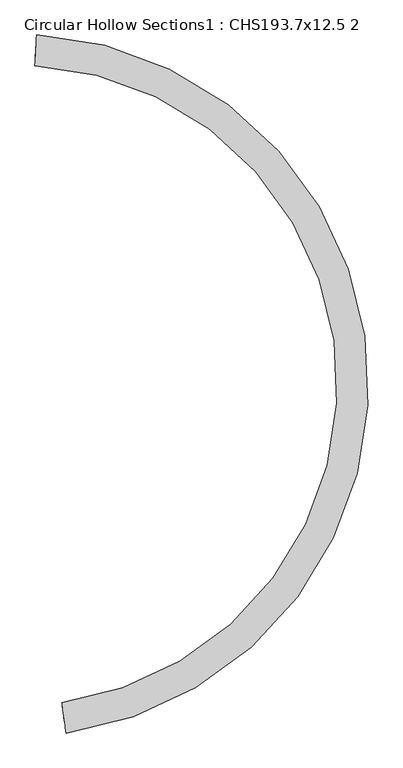
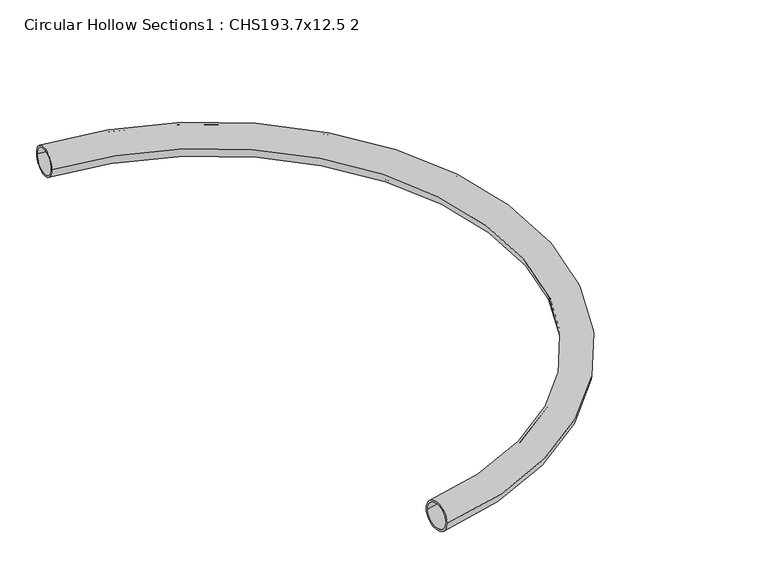
"""IFC4 building model written with IfcOpenShell, lengths in millimetres: beam geometry, Circular Hollow Sections1 : CHS193.7x12.5 2."""

from ifc_helpers import new_model, si_unit, point, frame, origin, place, context, project, spatial, circle_curve, ellipse_curve, trimmed, source, transform, mapped, element, save
from ifc_brep_helpers import plane_surface, revolved_surface, advanced_brep


def circular_hollow_sections1_chs193_7x12_5_2_fd8b41b2(model_context):
    return source(origin(), model_context, "Body", "AdvancedBrep", [
        advanced_brep(
        [(281.3026578, -4103.3995428, 0.0), (308.3688599, -4295.1992057, 0.0), (306.6222026, -4282.8218398, 0.0), (283.0493151, -4115.7769088, 0.0), (112.0487616, -99.9706476, 0.0), (122.8297989, 93.4290919, 0.0), (122.1340685, 80.9484685, 0.0), (112.7444919, -87.4900242, 0.0)],
        [
            (0, 1, circle_curve(frame((294.8357589, -4199.2993743, 0.0), z_axis=(-0.9901892769025884, -0.13973258713388623, 0.0), x_axis=(0.13973258713388623, -0.9901892769025884, 0.0)), 96.85)),
            (1, 0, circle_curve(frame((294.8357589, -4199.2993743, 0.0), z_axis=(-0.9901892769025886, -0.13973258713388442, 0.0), x_axis=(0.13973258713388442, -0.9901892769025886, 0.0)), 96.85)),
            (2, 3, circle_curve(frame((294.8357589, -4199.2993743, 0.0), z_axis=(0.9901892769025884, 0.13973258713388623, 0.0), x_axis=(0.13973258713388623, -0.9901892769025884, 0.0)), 84.35)),
            (3, 2, circle_curve(frame((294.8357589, -4199.2993743, 0.0), z_axis=(0.9901892769025886, 0.13973258713388442, 0.0), x_axis=(0.13973258713388442, -0.9901892769025886, 0.0)), 84.35)),
            (4, 5, circle_curve(frame((117.4392802, -3.2707779, 0.0), z_axis=(-0.9984498683172798, 0.05565842665047707, 0.0), x_axis=(0.05565842665047707, 0.9984498683172798, 0.0)), 96.85)),
            (5, 4, circle_curve(frame((117.4392802, -3.2707779, 0.0), z_axis=(-0.9984498683172801, 0.05565842665047502, 0.0), x_axis=(0.05565842665047502, 0.9984498683172801, 0.0)), 96.85)),
            (6, 7, circle_curve(frame((117.4392802, -3.2707779, 0.0), z_axis=(0.9984498683172799, -0.05565842665047685, 0.0), x_axis=(0.05565842665047685, 0.9984498683172799, 0.0)), 84.35)),
            (7, 6, circle_curve(frame((117.4392802, -3.2707779, 0.0), z_axis=(0.99844986831728, -0.05565842665047525, 0.0), x_axis=(0.05565842665047525, 0.99844986831728, 0.0)), 84.35)),
            (0, 4, circle_curve(frame((0.0, -2110.0, 0.0), z_axis=(0.0, 0.0, 1.0), x_axis=(-0.9991075140054365, -0.04223950115563181, 0.0)), 2013.15)),
            (5, 1, circle_curve(frame((0.0, -2110.0, 0.0), z_axis=(0.0, 0.0, -1.0), x_axis=(-0.9991075140054365, -0.04223950115563181, 0.0)), 2206.85)),
            (2, 6, circle_curve(frame((0.0, -2110.0, 0.0), z_axis=(0.0, 0.0, 1.0), x_axis=(-0.9991075140054365, -0.04223950115563181, 0.0)), 2194.35)),
            (7, 3, circle_curve(frame((0.0, -2110.0, 0.0), z_axis=(0.0, 0.0, -1.0), x_axis=(-0.9991075140054365, -0.04223950115563181, 0.0)), 2025.65)),
        ],
        [
            plane_surface(frame((308.3688599, -4295.1992057, 0.0), z_axis=(-0.9901892769025904, -0.13973258713387254, 0.0), x_axis=(0.0, 0.0, 1.0))),
            plane_surface(frame((122.8297989, 93.4290919, 0.0), z_axis=(-0.9984498683172796, 0.055658426650482415, 0.0), x_axis=(0.0, 0.0, -1.0))),
            revolved_surface(trimmed(ellipse_curve(frame((-2108.1168546, -2199.1253474, 0.0), z_axis=(0.04223950115564296, -0.9991075140054361, 0.0), x_axis=(-0.9991075140054361, -0.04223950115564296, 0.0)), 96.85, 96.85), [point((-2204.8804173, -2203.2162431, 0.0))], [point((-2011.3532918, -2195.0344518, 0.0))], True, "CARTESIAN"), (0.0, -2110.0, 0.0), (0.0, 0.0, -1.0000000000000002)),
            revolved_surface(trimmed(ellipse_curve(frame((-2108.1168546, -2199.1253474, 0.0), z_axis=(0.04223950115564114, -0.9991075140054361, 0.0), x_axis=(-0.9991075140054361, -0.04223950115564114, 0.0)), 96.85, 96.85), [point((-2011.3532918, -2195.0344518, 0.0))], [point((-2204.8804173, -2203.2162431, 0.0))], True, "CARTESIAN"), (0.0, -2110.0, 0.0), (0.0, 0.0, -1.0000000000000002)),
            revolved_surface(trimmed(ellipse_curve(frame((-2108.1168546, -2199.1253474, 0.0), z_axis=(-0.04223950115564296, 0.9991075140054361, 0.0), x_axis=(-0.9991075140054361, -0.04223950115564296, 0.0)), 84.35, 84.35), [point((-2023.8421357, -2195.5624455, 0.0))], [point((-2192.3915734, -2202.6882494, 0.0))], True, "CARTESIAN"), (0.0, -2110.0, 0.0), (0.0, 0.0, -1.0000000000000002)),
            revolved_surface(trimmed(ellipse_curve(frame((-2108.1168546, -2199.1253474, 0.0), z_axis=(-0.04223950115564114, 0.9991075140054361, 0.0), x_axis=(-0.9991075140054361, -0.04223950115564114, 0.0)), 84.35, 84.35), [point((-2192.3915734, -2202.6882494, 0.0))], [point((-2023.8421357, -2195.5624455, 0.0))], True, "CARTESIAN"), (0.0, -2110.0, 0.0), (0.0, 0.0, -1.0000000000000002)),
        ],
        [
            (0, [[1, 2], [3, 4]]),
            (1, [[5, 6], [7, 8]]),
            (2, [[-1, 9, -6, 10]]),
            (3, [[-2, -10, -5, -9]]),
            (4, [[-3, 11, -8, 12]]),
            (5, [[-4, -12, -7, -11]]),
        ],
    ),
    ])


if __name__ == "__main__":
    model = new_model("IFC4")
    model_context = context("Model", 3, world=origin())
    ifc_project = project(units=[si_unit("LENGTHUNIT", "METRE", prefix="MILLI")], contexts=[model_context])
    site = spatial("IfcSite", under=ifc_project)
    building = spatial("IfcBuilding", under=site)
    placement = place(None, origin())
    circular_hollow_sections1_chs193_7x12_5_2_shape = circular_hollow_sections1_chs193_7x12_5_2_fd8b41b2(model_context)
    element("IfcBeam", 1, ObjectType="Circular Hollow Sections1 : CHS193.7x12.5 2", at=placement, inside=building, context=model_context, shape_type="MappedRepresentation", body=[
        mapped(circular_hollow_sections1_chs193_7x12_5_2_shape, transform((0.0, 0.0, 0.0), x_axis=(1.0, 0.0, 0.0), y_axis=(0.0, 1.0, 0.0), z_axis=(0.0, 0.0, 1.0))),
    ])
    save(model, "model.ifc")
